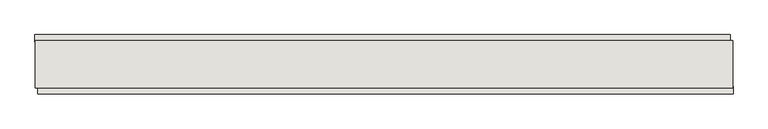
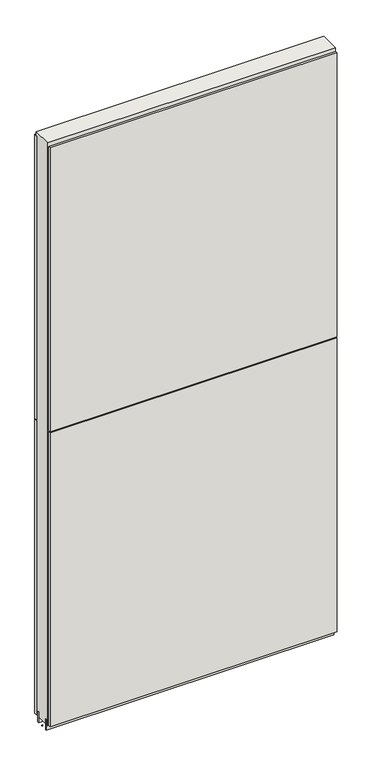
"""IFC4 building model written with IfcOpenShell, lengths in millimetres: wall geometry."""

from ifc_helpers import new_model, si_unit, frame, origin, place, context, project, spatial, polyline, outline, extrude, source, transform, mapped, element, save


def wall_d1eccf10(model_context):
    return source(origin(), model_context, "Body", "SweptSolid", [
        extrude(outline(polyline([(57367.5259556, -40969.8105672), (57370.0659556, -40969.8105672), (57370.0659556, -40972.3505672), (57367.5259556, -40972.3505672), (57367.5259556, -40969.8105672)])), frame((0.0, 0.0, 4419.6), z_axis=(0.0, 0.0, 1.0), x_axis=(1.0, 0.0, 0.0)), (0.0, 0.0, 1.0), 2.54),
        extrude(outline(polyline([(58566.1111886, -41021.8805672), (57371.9903866, -41021.8805672), (57371.9903866, -41009.1805672), (58566.1111886, -41009.1805672), (58566.1111886, -41021.8805672)])), frame((0.0, 0.0, 5742.399869), z_axis=(0.0, 0.0, 1.0), x_axis=(1.0, 0.0, 0.0)), (0.0, 0.0, 1.0), 1247.649905),
        extrude(outline(polyline([(58566.1111886, -41021.8805672), (57371.9903866, -41021.8805672), (57371.9903866, -41009.1805672), (58566.1111886, -41009.1805672), (58566.1111886, -41021.8805672)])), frame((0.0, 0.0, 4445.0), z_axis=(0.0, 0.0, 1.0), x_axis=(1.0, 0.0, 0.0)), (0.0, 0.0, 1.0), 1293.400004),
        extrude(outline(polyline([(57367.0604498, -40920.2805672), (58561.1812518, -40920.2805672), (58561.1812518, -40932.9805672), (57367.0604498, -40932.9805672), (57367.0604498, -40920.2805672)])), frame((0.0, 0.0, 5742.4000722), z_axis=(0.0, 0.0, 1.0), x_axis=(1.0, 0.0, 0.0)), (0.0, 0.0, 1.0), 1247.649905),
        extrude(outline(polyline([(57367.0604498, -40920.2805672), (58561.1812518, -40920.2805672), (58561.1812518, -40932.9805672), (57367.0604498, -40932.9805672), (57367.0604498, -40920.2805672)])), frame((0.0, 0.0, 4445.0), z_axis=(0.0, 0.0, 1.0), x_axis=(1.0, 0.0, 0.0)), (0.0, 0.0, 1.0), 1293.400004),
        extrude(outline(polyline([(57367.524711, -40996.1581142), (58565.6407298, -40996.1581142), (58565.6407298, -41001.2399684), (57367.524711, -41001.2399684), (57367.524711, -40996.1581142)])), frame((0.0, 0.0, 4418.6602), z_axis=(0.0, 0.0, 1.0), x_axis=(1.0, 0.0, 0.0)), (0.0, 0.0, 1.0), 47.625),
        extrude(outline(polyline([(57367.524711, -40996.1581142), (58565.6407298, -40996.1581142), (58565.6407298, -41001.2399684), (57367.524711, -41001.2399684), (57367.524711, -40996.1581142)])), frame((0.0, 0.0, 4418.6602), z_axis=(0.0, 0.0, 1.0), x_axis=(1.0, 0.0, 0.0)), (0.0, 0.0, 1.0), 47.625),
        extrude(outline(polyline([(58565.6407298, -40945.9937238), (57367.524711, -40945.9937238), (57367.524711, -40940.9149684), (58565.6407298, -40940.9149684), (58565.6407298, -40945.9937238)])), frame((0.0, 0.0, 4418.6602), z_axis=(0.0, 0.0, 1.0), x_axis=(1.0, 0.0, 0.0)), (0.0, 0.0, 1.0), 47.625),
        extrude(outline(polyline([(58565.6407298, -40945.9937238), (57367.524711, -40945.9937238), (57367.524711, -40940.9149684), (58565.6407298, -40940.9149684), (58565.6407298, -40945.9937238)])), frame((0.0, 0.0, 4418.6602), z_axis=(0.0, 0.0, 1.0), x_axis=(1.0, 0.0, 0.0)), (0.0, 0.0, 1.0), 47.625),
        extrude(outline(polyline([(57367.524711, -41011.729254), (57367.524711, -40930.4504986), (58565.6407298, -40930.4504986), (58565.6407298, -41011.729254), (57367.524711, -41011.729254)])), frame((0.0, 0.0, 4445.0), z_axis=(0.0, 0.0, 1.0), x_axis=(1.0, 0.0, 0.0)), (0.0, 0.0, 1.0), 2562.4536762),
    ])


if __name__ == "__main__":
    model = new_model("IFC4")
    model_context = context("Model", 3, world=origin())
    ifc_project = project(units=[si_unit("LENGTHUNIT", "METRE", prefix="MILLI")], contexts=[model_context])
    site = spatial("IfcSite", under=ifc_project)
    building = spatial("IfcBuilding", under=site)
    placement = place(None, origin())
    wall_shape = wall_d1eccf10(model_context)
    element("IfcWall", 1, at=placement, inside=building, context=model_context, shape_type="MappedRepresentation", body=[
        mapped(wall_shape, transform((0.0, 0.0, 0.0), x_axis=(1.0, 0.0, 0.0), y_axis=(0.0, 1.0, 0.0), z_axis=(0.0, 0.0, 1.0))),
    ])
    save(model, "model.ifc")
